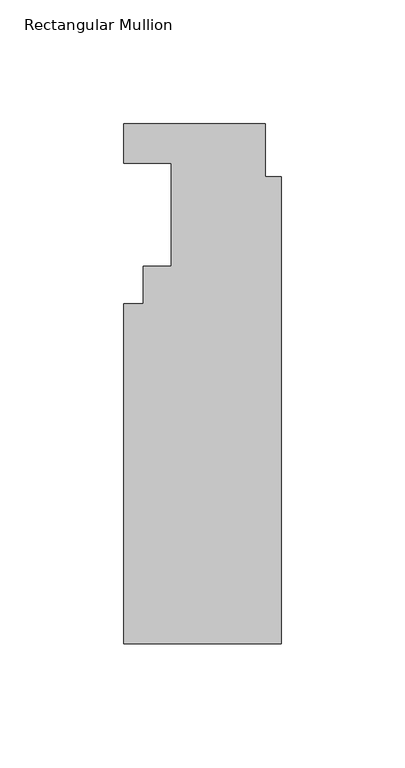
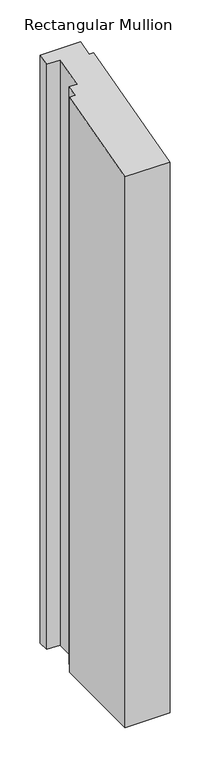
"""IFC4 building model written with IfcOpenShell, lengths in millimetres: member geometry, Rectangular Mullion."""

from ifc_helpers import new_model, si_unit, origin, place, context, project, spatial, faceted_brep, source, transform, mapped, element, save


def rectangular_mullion_1b5018fb(model_context):
    return source(origin(), model_context, "Body", "Brep", [
        faceted_brep([(-63.5, 20.621625, -880.7474361), (-6.35, 20.621625, -880.7474361), (-6.35, -0.663575, -880.7474361), (0.0, -0.663575, -880.7474361), (0.0, -189.309375, -880.7474361), (-63.5, -189.309375, -880.7474361), (-63.5, -51.971575, -880.7474361), (-55.5752, -51.971575, -880.7474361), (-55.5752, -36.909375, -880.7474361), (-44.45, -36.909375, -880.7474361), (-44.45, 4.746625, -880.7474361), (-63.5, 4.746625, -880.7474361), (-63.5, 4.746625, 1.2718543), (-63.5, 20.621625, 5.5255478), (-44.45, 4.746625, 1.2718543), (-44.45, -36.909375, -9.8898372), (-55.5752, -36.909375, -9.8898372), (-55.5752, -51.971575, -13.9257416), (-63.5, -51.971575, -13.9257416), (-63.5, -189.309375, -50.7252942), (0.0, -189.309375, -50.7252942), (0.0, -0.663575, -0.1778044), (-6.35, -0.663575, -0.1778044), (-6.35, 20.621625, 5.5255478)], [[[0, 1, 2, 3, 4, 5, 6, 7, 8, 9, 10, 11]], [[12, 13, 0, 11]], [[14, 12, 11, 10]], [[15, 14, 10, 9]], [[16, 15, 9, 8]], [[17, 16, 8, 7]], [[18, 17, 7, 6]], [[19, 18, 6, 5]], [[20, 19, 5, 4]], [[21, 20, 4, 3]], [[22, 21, 3, 2]], [[23, 22, 2, 1]], [[13, 23, 1, 0]], [[13, 12, 14, 15, 16, 17, 18, 19, 20, 21, 22, 23]]]),
    ])


if __name__ == "__main__":
    model = new_model("IFC4")
    model_context = context("Model", 3, world=origin())
    ifc_project = project(units=[si_unit("LENGTHUNIT", "METRE", prefix="MILLI")], contexts=[model_context])
    site = spatial("IfcSite", under=ifc_project)
    building = spatial("IfcBuilding", under=site)
    placement = place(None, origin())
    rectangular_mullion_shape = rectangular_mullion_1b5018fb(model_context)
    element("IfcMember", 1, ObjectType="Rectangular Mullion", at=placement, inside=building, context=model_context, shape_type="MappedRepresentation", body=[
        mapped(rectangular_mullion_shape, transform((0.0, 0.0, 0.0), x_axis=(1.0, 0.0, 0.0), y_axis=(0.0, 1.0, 0.0), z_axis=(0.0, 0.0, 1.0))),
    ])
    save(model, "model.ifc")
